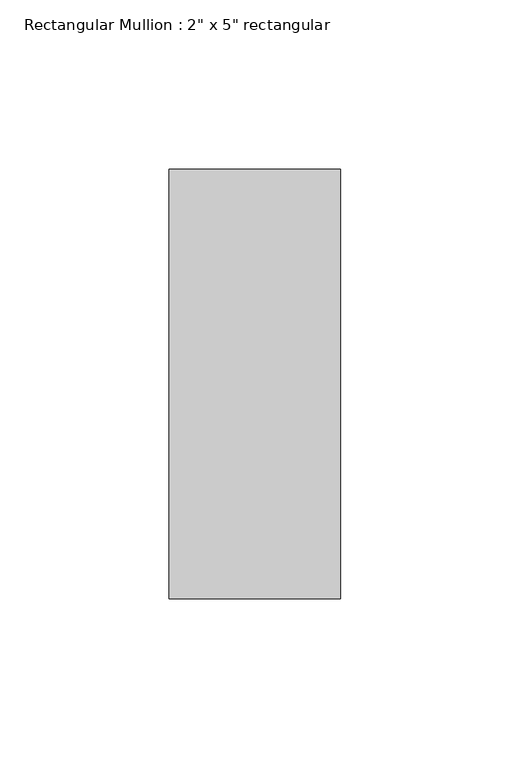
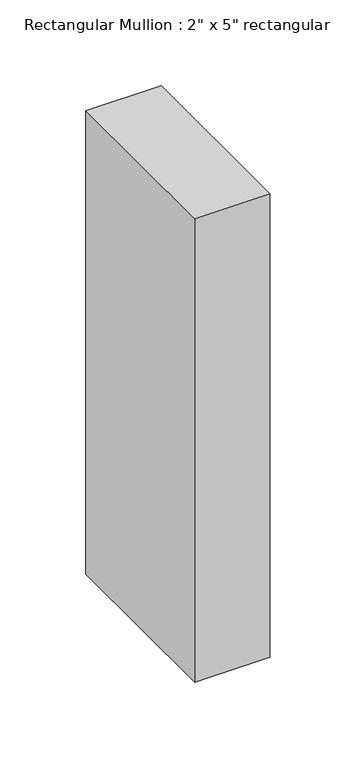
"""IFC4 building model written with IfcOpenShell, lengths in millimetres: member geometry."""

from ifc_helpers import new_model, si_unit, frame, origin, place, context, project, spatial, polyline, outline, extrude, source, transform, mapped, element, save


def member_4336005f(model_context):
    return source(origin(), model_context, "Body", "SweptSolid", [
        extrude(outline(polyline([(0.0, 63.5), (0.0, -63.5), (-50.8, -63.5), (-50.8, 63.5), (0.0, 63.5)])), frame((0.0, 0.0, -330.2), z_axis=(0.0, 0.0, 1.0), x_axis=(1.0, 0.0, 0.0)), (0.0, 0.0, 1.0), 330.2),
    ])


if __name__ == "__main__":
    model = new_model("IFC4")
    model_context = context("Model", 3, world=origin())
    ifc_project = project(units=[si_unit("LENGTHUNIT", "METRE", prefix="MILLI")], contexts=[model_context])
    site = spatial("IfcSite", under=ifc_project)
    building = spatial("IfcBuilding", under=site)
    placement = place(None, origin())
    member_shape = member_4336005f(model_context)
    element("IfcMember", 1, ObjectType="Rectangular Mullion : 2\" x 5\" rectangular", at=placement, inside=building, context=model_context, shape_type="MappedRepresentation", body=[
        mapped(member_shape, transform((0.0, 0.0, 0.0), x_axis=(1.0, 0.0, 0.0), y_axis=(0.0, 1.0, 0.0), z_axis=(0.0, 0.0, 1.0))),
    ])
    save(model, "model.ifc")
